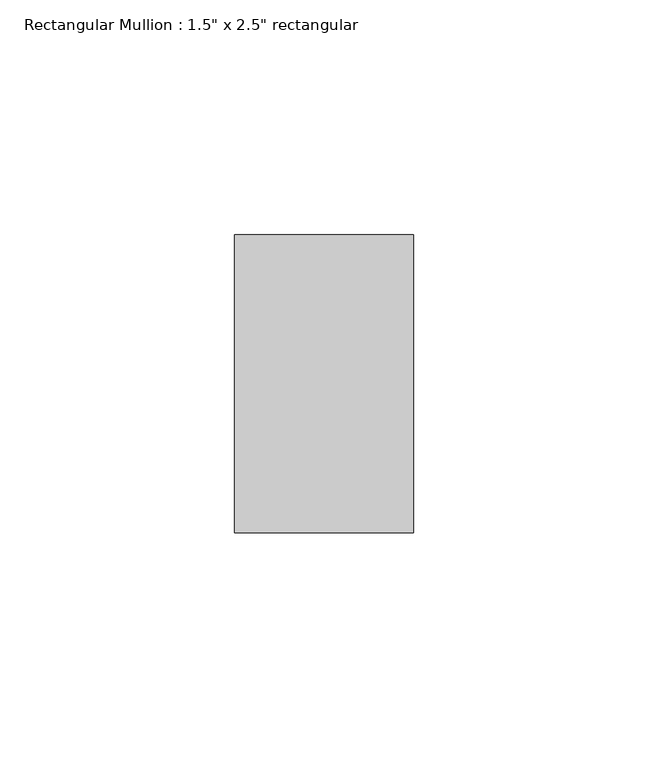
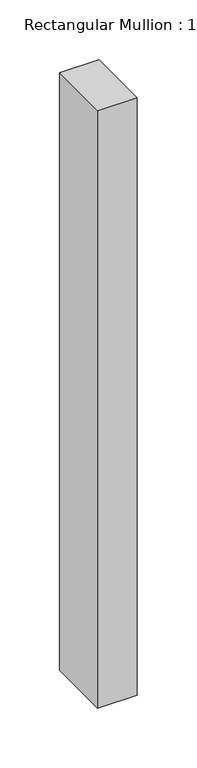
"""IFC4 building model written with IfcOpenShell, lengths in millimetres: member geometry."""

from ifc_helpers import new_model, si_unit, frame, origin, place, context, project, spatial, polyline, outline, extrude, source, transform, mapped, element, save


def member_405fa836(model_context):
    return source(origin(), model_context, "Body", "SweptSolid", [
        extrude(outline(polyline([(0.0, 31.75), (0.0, -31.75), (-38.1, -31.75), (-38.1, 31.75), (0.0, 31.75)])), frame((0.0, 0.0, -609.4260192), z_axis=(0.0, 0.0, 1.0), x_axis=(1.0, 0.0, 0.0)), (0.0, 0.0, 1.0), 609.4260192),
    ])


if __name__ == "__main__":
    model = new_model("IFC4")
    model_context = context("Model", 3, world=origin())
    ifc_project = project(units=[si_unit("LENGTHUNIT", "METRE", prefix="MILLI")], contexts=[model_context])
    site = spatial("IfcSite", under=ifc_project)
    building = spatial("IfcBuilding", under=site)
    placement = place(None, origin())
    member_shape = member_405fa836(model_context)
    element("IfcMember", 1, ObjectType="Rectangular Mullion : 1.5\" x 2.5\" rectangular", at=placement, inside=building, context=model_context, shape_type="MappedRepresentation", body=[
        mapped(member_shape, transform((0.0, 0.0, 0.0), x_axis=(1.0, 0.0, 0.0), y_axis=(0.0, 1.0, 0.0), z_axis=(0.0, 0.0, 1.0))),
    ])
    save(model, "model.ifc")
